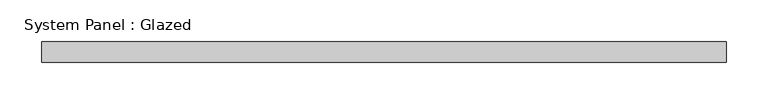
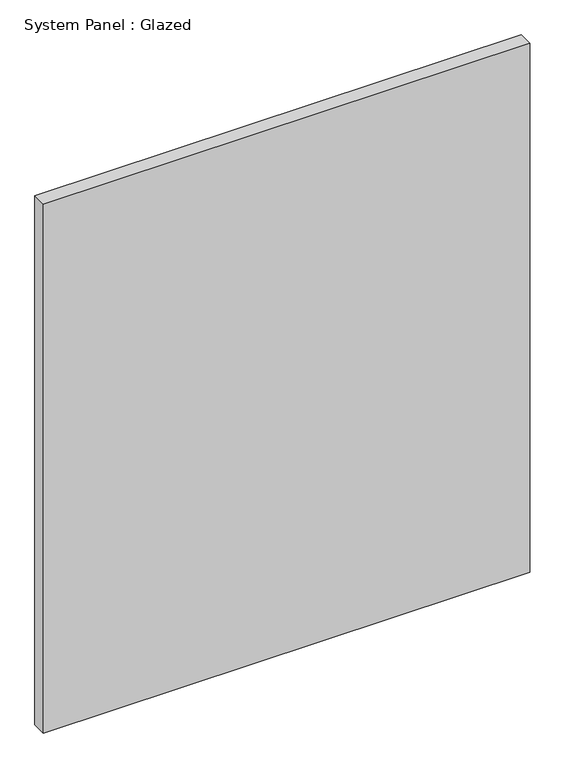
"""IFC4 building model written with IfcOpenShell, lengths in millimetres: plate geometry, System Panel : Glazed."""

from ifc_helpers import new_model, si_unit, origin, origin_with_axes, place, context, project, spatial, polyline, outline, extrude, source, transform, mapped, element, save


def system_panel_glazed_4f88adb2(model_context):
    return source(origin(), model_context, "Body", "SweptSolid", [
        extrude(outline(polyline([(412.5, 24.5), (-412.5, 24.5), (-412.5, 49.5), (412.5, 49.5), (412.5, 24.5)])), origin_with_axes(), (0.0, 0.0, 1.0), 948.3333333),
    ])


if __name__ == "__main__":
    model = new_model("IFC4")
    model_context = context("Model", 3, world=origin())
    ifc_project = project(units=[si_unit("LENGTHUNIT", "METRE", prefix="MILLI")], contexts=[model_context])
    site = spatial("IfcSite", under=ifc_project)
    building = spatial("IfcBuilding", under=site)
    placement = place(None, origin())
    system_panel_glazed_shape = system_panel_glazed_4f88adb2(model_context)
    element("IfcPlate", 1, ObjectType="System Panel : Glazed", at=placement, inside=building, context=model_context, shape_type="MappedRepresentation", body=[
        mapped(system_panel_glazed_shape, transform((0.0, 0.0, 0.0), x_axis=(1.0, 0.0, 0.0), y_axis=(0.0, 1.0, 0.0), z_axis=(0.0, 0.0, 1.0))),
    ])
    save(model, "model.ifc")
